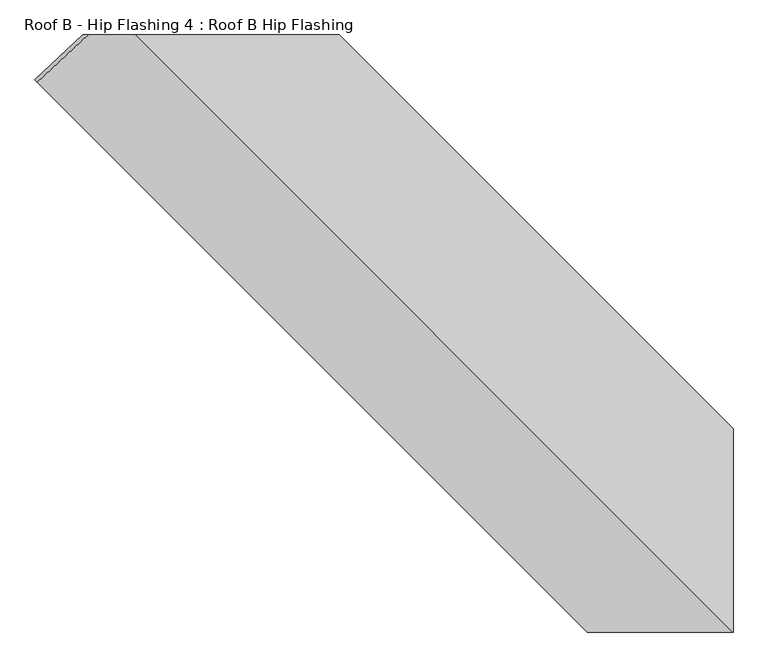
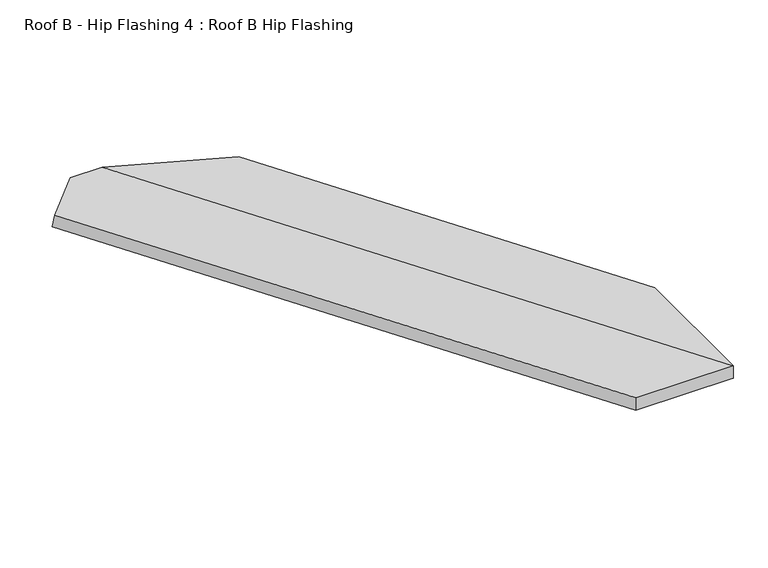
"""IFC4 building model written with IfcOpenShell, lengths in millimetres: proxy geometry, Roof B - Hip Flashing 4 : Roof B Hip Flashing."""

from ifc_helpers import new_model, si_unit, origin, place, context, project, spatial, faceted_brep, source, transform, mapped, element, save


def roof_b_hip_flashing_4_roof_b_hip_flashing_888f735f(model_context):
    return source(origin(), model_context, "Body", "Brep", [
        faceted_brep([(36825.9749199, -15716.1798828, 3588.3395553), (36831.9080816, -15722.1130445, 3632.6252769), (36949.6735347, -15612.2363808, 3662.0666402), (36937.3812296, -15612.2363808, 3616.1911327), (37534.148472, -15612.2363808, 3489.2228774), (37534.148472, -15612.2363808, 3535.1026447), (38451.2990899, -16529.3869987, 3289.3528773), (38451.2990899, -16529.3869987, 3243.4731099), (37060.31239, -15612.2363808, 3662.0666402), (38450.2765391, -17002.20053, 3289.6268689), (38451.2990899, -17002.20053, 3289.3528773), (38111.9955671, -17002.20053, 3289.6268689), (38111.9955671, -17002.20053, 3243.7513614), (38450.2606412, -17002.20053, 3243.7513614), (37060.296492, -15612.2363808, 3616.1911327), (38451.2990899, -17002.20053, 3243.4731099)], [[[0, 1, 2, 3]], [[4, 5, 6, 7]], [[8, 9, 10, 6, 5]], [[1, 11, 9, 8, 2]], [[1, 0, 12, 11]], [[13, 14, 4, 7, 15]], [[12, 0, 3, 14, 13]], [[9, 11, 12, 13, 15, 10]], [[3, 2, 8, 5, 4, 14]], [[7, 6, 10, 15]]]),
    ])


if __name__ == "__main__":
    model = new_model("IFC4")
    model_context = context("Model", 3, world=origin())
    ifc_project = project(units=[si_unit("LENGTHUNIT", "METRE", prefix="MILLI")], contexts=[model_context])
    site = spatial("IfcSite", under=ifc_project)
    building = spatial("IfcBuilding", under=site)
    placement = place(None, origin())
    roof_b_hip_flashing_4_roof_b_hip_flashing_shape = roof_b_hip_flashing_4_roof_b_hip_flashing_888f735f(model_context)
    element("IfcBuildingElementProxy", 1, Name="Roof B - Hip Flashing 4 : Roof B Hip Flashing", ObjectType="Roof B - Hip Flashing 4 : Roof B Hip Flashing", at=placement, inside=building, context=model_context, shape_type="MappedRepresentation", body=[
        mapped(roof_b_hip_flashing_4_roof_b_hip_flashing_shape, transform((0.0, 0.0, 0.0), x_axis=(1.0, 0.0, 0.0), y_axis=(0.0, 1.0, 0.0), z_axis=(0.0, 0.0, 1.0))),
    ])
    save(model, "model.ifc")
